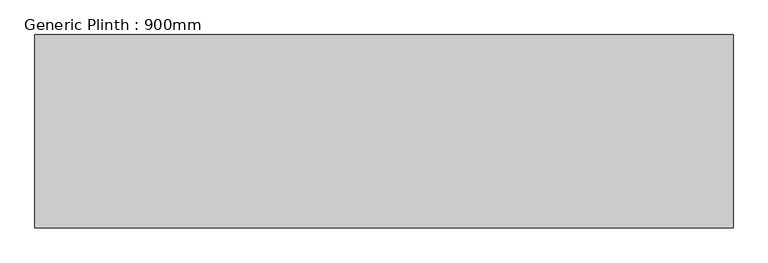
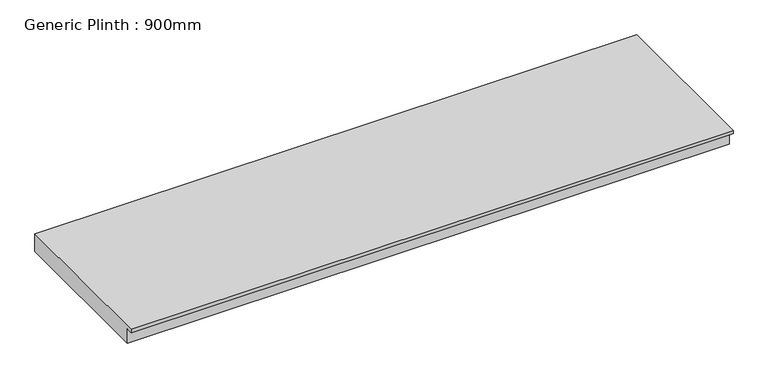
"""IFC4 building model written with IfcOpenShell, lengths in millimetres: furniture geometry, Generic Plinth : 900mm."""

from ifc_helpers import new_model, si_unit, frame, origin, place, context, project, spatial, polyline, outline, extrude, source, transform, mapped, element, save


def generic_plinth_900mm_89497062(model_context):
    return source(origin(), model_context, "Body", "SweptSolid", [
        extrude(outline(polyline([(-900.0, 81.0), (-900.0, 100.0), (0.0, 100.0), (0.0, 0.0), (-865.0, 0.0), (-865.0, 81.0), (-900.0, 81.0)])), frame((-1606.2628375, 0.0, 0.0), z_axis=(1.0, 0.0, 0.0), x_axis=(0.0, 1.0, 0.0)), (0.0, 0.0, 1.0), 3250.0010847),
    ])


if __name__ == "__main__":
    model = new_model("IFC4")
    model_context = context("Model", 3, world=origin())
    ifc_project = project(units=[si_unit("LENGTHUNIT", "METRE", prefix="MILLI")], contexts=[model_context])
    site = spatial("IfcSite", under=ifc_project)
    building = spatial("IfcBuilding", under=site)
    placement = place(None, origin())
    generic_plinth_900mm_shape = generic_plinth_900mm_89497062(model_context)
    element("IfcFurniture", 1, ObjectType="Generic Plinth : 900mm", at=placement, inside=building, context=model_context, shape_type="MappedRepresentation", body=[
        mapped(generic_plinth_900mm_shape, transform((0.0, 0.0, 0.0), x_axis=(1.0, 0.0, 0.0), y_axis=(0.0, 1.0, 0.0), z_axis=(0.0, 0.0, 1.0))),
    ])
    save(model, "model.ifc")
